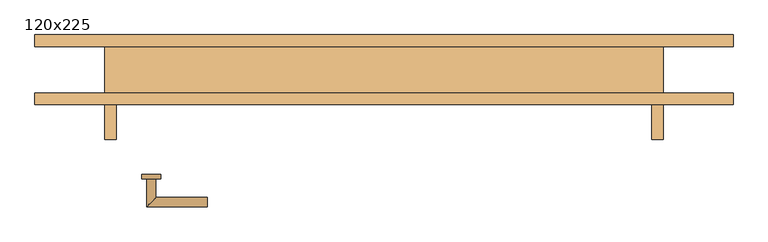
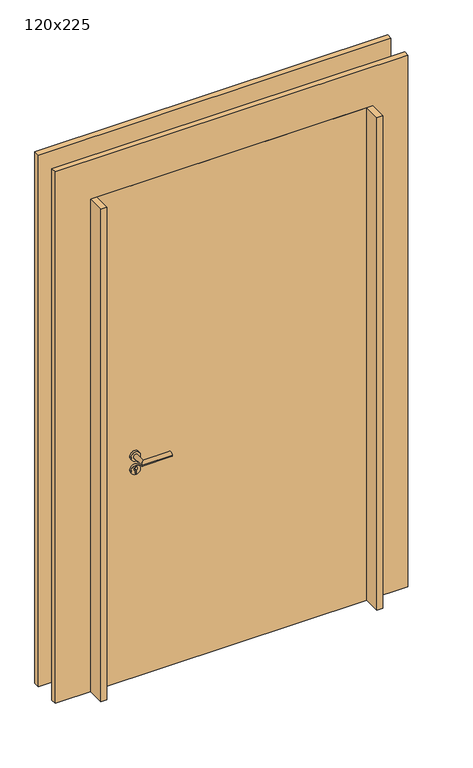
"""IFC4 building model written with IfcOpenShell, lengths in millimetres: door geometry, 120x225."""

from ifc_helpers import new_model, si_unit, point, frame, frame_2d, origin, place, context, project, spatial, polyline, circle_curve, ellipse_curve, trimmed, segment, composite_curve, outline, extrude, faceted_brep, source, transform, mapped, element, save
from ifc_brep_helpers import plane_surface, cylinder_surface, advanced_brep


def door_120x225_442a818a(model_context):
    return source(origin(), model_context, "Body", "SolidModel", [
        extrude(outline(composite_curve([segment(trimmed(circle_curve(frame_2d((1070.0, -500.0)), 20.0), [point((1070.0, -480.0))], [point((1070.0, -520.0))], False, "CARTESIAN"), True, "CONTINUOUS"), segment(trimmed(circle_curve(frame_2d((1070.0, -500.0)), 20.0), [point((1070.0, -520.0))], [point((1070.0, -480.0))], False, "CARTESIAN"), True, "CONTINUOUS")], self_intersect=False), holes=[composite_curve([segment(polyline([(1056.4601385, -502.397268), (1068.4749012, -502.397268)]), True, "CONTINUOUS"), segment(trimmed(circle_curve(frame_2d((1075.0361633, -500.0)), 6.9854888), [point((1068.4749012, -502.397268))], [point((1068.4749012, -497.602732))], True, "CARTESIAN"), True, "CONTINUOUS"), segment(polyline([(1068.4749012, -497.602732), (1056.4601385, -497.602732)]), True, "CONTINUOUS"), segment(trimmed(circle_curve(frame_2d((1056.4601385, -500.0)), 2.397268), [point((1056.4601385, -497.602732))], [point((1056.4601385, -502.397268))], True, "CARTESIAN"), True, "CONTINUOUS")], self_intersect=False)]), frame((0.0, -10.0, 0.0), z_axis=(0.0, 1.0, 0.0), x_axis=(0.0, 0.0, 1.0)), (0.0, 0.0, 1.0), 10.0),
        advanced_brep(
        [(-510.0, 0.0, 1130.0), (-490.0, 0.0, 1130.0), (-490.0, 40.0, 1130.0), (-510.0, 60.0, 1130.0), (-380.0, 60.0, 1130.0), (-380.0, 40.0, 1130.0)],
        [
            (0, 1, circle_curve(frame((-500.0, 0.0, 1130.0), z_axis=(0.0, -1.0, 0.0), x_axis=(1.0, 0.0, 0.0)), 10.0)),
            (1, 0, circle_curve(frame((-500.0, 0.0, 1130.0), z_axis=(0.0, -1.0, 0.0), x_axis=(1.0, 0.0, 0.0)), 10.0)),
            (1, 2),
            (2, 3, ellipse_curve(frame((-500.0, 50.0, 1130.0), z_axis=(-0.707106781186543, -0.7071067811865519, 0.0), x_axis=(0.7071067811865517, -0.7071067811865432, 0.0)), 14.1421356, 10.0)),
            (3, 0),
            (3, 2, ellipse_curve(frame((-500.0, 50.0, 1130.0), z_axis=(-0.707106781186543, -0.7071067811865519, 0.0), x_axis=(0.7071067811865517, -0.7071067811865432, 0.0)), 14.1421356, 10.0)),
            (4, 5, circle_curve(frame((-380.0, 50.0, 1130.0), z_axis=(1.0, 0.0, 0.0), x_axis=(0.0, -1.0, 0.0)), 10.0)),
            (5, 4, circle_curve(frame((-380.0, 50.0, 1130.0), z_axis=(1.0, 0.0, 0.0), x_axis=(0.0, -1.0, 0.0)), 10.0)),
            (2, 5),
            (4, 3),
        ],
        [
            plane_surface(frame((-500.0, 0.0, -70.0), z_axis=(0.0, -1.0, 0.0), x_axis=(0.0, 0.0, 1.0))),
            cylinder_surface(frame((-500.0, 0.0, 1130.0), z_axis=(0.0, -1.0, 0.0), x_axis=(1.0, 0.0, 0.0)), 10.0),
            plane_surface(frame((-380.0, 50.0, -70.0), z_axis=(1.0, 0.0, 0.0), x_axis=(0.0, 0.0, 1.0))),
            cylinder_surface(frame((-500.0, 50.0, 1130.0), z_axis=(-1.0, 0.0, 0.0), x_axis=(0.0, -1.0, 0.0)), 10.0),
        ],
        [
            (0, [[1, 2]]),
            (1, [[3, 4, 5, -2]]),
            (1, [[-5, 6, -3, -1]]),
            (2, [[7, 8]]),
            (3, [[9, -7, 10, -4]]),
            (3, [[-10, -8, -9, -6]]),
        ],
    ),
        extrude(outline(composite_curve([segment(trimmed(circle_curve(frame_2d((1130.0, -500.0)), 20.0), [point((1130.0, -480.0))], [point((1130.0, -520.0))], False, "CARTESIAN"), True, "CONTINUOUS"), segment(trimmed(circle_curve(frame_2d((1130.0, -500.0)), 20.0), [point((1130.0, -520.0))], [point((1130.0, -480.0))], False, "CARTESIAN"), True, "CONTINUOUS")], self_intersect=False)), frame((0.0, -10.0, 0.0), z_axis=(0.0, 1.0, 0.0), x_axis=(0.0, 0.0, 1.0)), (0.0, 0.0, 1.0), 10.0),
        extrude(outline(composite_curve([segment(trimmed(circle_curve(frame_2d((1070.0, -500.0)), 20.0), [point((1070.0, -480.0))], [point((1070.0, -520.0))], False, "CARTESIAN"), True, "CONTINUOUS"), segment(trimmed(circle_curve(frame_2d((1070.0, -500.0)), 20.0), [point((1070.0, -520.0))], [point((1070.0, -480.0))], False, "CARTESIAN"), True, "CONTINUOUS")], self_intersect=False), holes=[composite_curve([segment(polyline([(1056.4601385, -502.397268), (1068.4749012, -502.397268)]), True, "CONTINUOUS"), segment(trimmed(circle_curve(frame_2d((1075.0361633, -500.0)), 6.9854888), [point((1068.4749012, -502.397268))], [point((1068.4749012, -497.602732))], True, "CARTESIAN"), True, "CONTINUOUS"), segment(polyline([(1068.4749012, -497.602732), (1056.4601385, -497.602732)]), True, "CONTINUOUS"), segment(trimmed(circle_curve(frame_2d((1056.4601385, -500.0)), 2.397268), [point((1056.4601385, -497.602732))], [point((1056.4601385, -502.397268))], True, "CARTESIAN"), True, "CONTINUOUS")], self_intersect=False)]), frame((0.0, -185.0, 0.0), z_axis=(0.0, 1.0, 0.0), x_axis=(0.0, 0.0, 1.0)), (0.0, 0.0, 1.0), 10.0),
        advanced_brep(
        [(-510.0, -185.0, 1130.0), (-490.0, -185.0, 1130.0), (-510.0, -245.0, 1130.0), (-490.0, -225.0, 1130.0), (-380.0, -245.0, 1130.0), (-380.0, -225.0, 1130.0)],
        [
            (0, 1, circle_curve(frame((-500.0, -185.0, 1130.0), z_axis=(0.0, 1.0, 0.0), x_axis=(1.0, 0.0, 0.0)), 10.0)),
            (1, 0, circle_curve(frame((-500.0, -185.0, 1130.0), z_axis=(0.0, 1.0, 0.0), x_axis=(1.0, 0.0, 0.0)), 10.0)),
            (0, 2),
            (2, 3, ellipse_curve(frame((-500.0, -235.0, 1130.0), z_axis=(-0.707106781186543, 0.7071067811865519, 0.0), x_axis=(0.7071067811865517, 0.7071067811865432, 0.0)), 14.1421356, 10.0)),
            (3, 1),
            (3, 2, ellipse_curve(frame((-500.0, -235.0, 1130.0), z_axis=(-0.707106781186543, 0.7071067811865519, 0.0), x_axis=(0.7071067811865517, 0.7071067811865432, 0.0)), 14.1421356, 10.0)),
            (4, 5, circle_curve(frame((-380.0, -235.0, 1130.0), z_axis=(1.0, 0.0, 0.0), x_axis=(0.0, 1.0, 0.0)), 10.0)),
            (5, 4, circle_curve(frame((-380.0, -235.0, 1130.0), z_axis=(1.0, 0.0, 0.0), x_axis=(0.0, 1.0, 0.0)), 10.0)),
            (2, 4),
            (5, 3),
        ],
        [
            plane_surface(frame((-500.0, -185.0, -70.0), z_axis=(0.0, 1.0, 0.0), x_axis=(0.0, 0.0, 1.0))),
            cylinder_surface(frame((-500.0, -185.0, 1130.0), z_axis=(0.0, 1.0, 0.0), x_axis=(1.0, 0.0, 0.0)), 10.0),
            plane_surface(frame((-380.0, -235.0, -70.0), z_axis=(1.0, 0.0, 0.0), x_axis=(0.0, 0.0, 1.0))),
            cylinder_surface(frame((-500.0, -235.0, 1130.0), z_axis=(-1.0, 0.0, 0.0), x_axis=(0.0, 1.0, 0.0)), 10.0),
        ],
        [
            (0, [[1, 2]]),
            (1, [[-1, 3, 4, 5]]),
            (1, [[-2, -5, 6, -3]]),
            (2, [[7, 8]]),
            (3, [[-4, 9, -8, 10]]),
            (3, [[-6, -10, -7, -9]]),
        ],
    ),
        extrude(outline(composite_curve([segment(trimmed(circle_curve(frame_2d((1130.0, -500.0)), 20.0), [point((1130.0, -480.0))], [point((1130.0, -520.0))], False, "CARTESIAN"), True, "CONTINUOUS"), segment(trimmed(circle_curve(frame_2d((1130.0, -500.0)), 20.0), [point((1130.0, -520.0))], [point((1130.0, -480.0))], False, "CARTESIAN"), True, "CONTINUOUS")], self_intersect=False)), frame((0.0, -185.0, 0.0), z_axis=(0.0, 1.0, 0.0), x_axis=(0.0, 0.0, 1.0)), (0.0, 0.0, 1.0), 10.0),
        faceted_brep([(-600.0, 100.0, 10.0), (-750.0, 100.0, 10.0), (-750.0, 125.0, 10.0), (-575.0, 125.0, 10.0), (-575.0, -100.0, 10.0), (-600.0, -100.0, 10.0), (600.0, -100.0, 10.0), (575.0, -100.0, 10.0), (575.0, 125.0, 10.0), (750.0, 125.0, 10.0), (750.0, 100.0, 10.0), (600.0, 100.0, 10.0), (-575.0, 125.0, 2225.0), (-575.0, 0.0, 2225.0), (-575.0, -100.0, 2225.0), (-600.0, -100.0, 2225.0), (-600.0, 0.0, 2225.0), (-600.0, 0.0, 2250.0), (-600.0, 100.0, 2250.0), (575.0, -100.0, 2225.0), (575.0, 0.0, 2225.0), (575.0, 125.0, 2225.0), (600.0, 100.0, 2250.0), (600.0, 0.0, 2250.0), (600.0, 0.0, 2225.0), (600.0, -100.0, 2225.0), (-750.0, 125.0, 2400.0), (750.0, 125.0, 2400.0), (-750.0, 100.0, 2400.0), (750.0, 100.0, 2400.0)], [[[0, 1, 2, 3, 4, 5]], [[6, 7, 8, 9, 10, 11]], [[4, 3, 12, 13, 14]], [[15, 5, 4, 14]], [[5, 15, 16, 17, 18, 0]], [[19, 20, 21, 8, 7]], [[11, 22, 23, 24, 25, 6]], [[26, 27, 9, 8, 21, 12, 3, 2]], [[28, 1, 0, 18, 22, 11, 10, 29]], [[2, 1, 28, 26]], [[21, 20, 13, 12]], [[27, 29, 10, 9]], [[26, 28, 29, 27]], [[22, 18, 17, 23]], [[14, 13, 16, 15]], [[25, 24, 20, 19]], [[19, 7, 6, 25]], [[23, 17, 16, 13, 20, 24]]]),
        extrude(outline(polyline([(575.0, 14.8243829), (575.0, -25.0), (-575.0, -25.0), (-575.0, 14.8243829), (575.0, 14.8243829)])), frame((0.0, 0.0, 10.0), z_axis=(0.0, 0.0, 1.0), x_axis=(1.0, 0.0, 0.0)), (0.0, 0.0, 1.0), 2215.0),
        extrude(outline(polyline([(2225.0, -575.0), (2225.0, 575.0), (10.0, 575.0), (10.0, 750.0), (2400.0, 750.0), (2400.0, -750.0), (10.0, -750.0), (10.0, -575.0), (2225.0, -575.0)])), frame((0.0, -25.0, 0.0), z_axis=(0.0, 1.0, 0.0), x_axis=(0.0, 0.0, 1.0)), (0.0, 0.0, 1.0), 25.0),
    ])


if __name__ == "__main__":
    model = new_model("IFC4")
    model_context = context("Model", 3, world=origin())
    ifc_project = project(units=[si_unit("LENGTHUNIT", "METRE", prefix="MILLI")], contexts=[model_context])
    site = spatial("IfcSite", under=ifc_project)
    building = spatial("IfcBuilding", under=site)
    placement = place(None, origin())
    door_120x225_shape = door_120x225_442a818a(model_context)
    element("IfcDoor", 1, ObjectType="120x225", at=placement, inside=building, context=model_context, shape_type="MappedRepresentation", body=[
        mapped(door_120x225_shape, transform((0.0, 0.0, 0.0), x_axis=(1.0, 0.0, 0.0), y_axis=(0.0, 1.0, 0.0), z_axis=(0.0, 0.0, 1.0))),
    ])
    save(model, "model.ifc")
